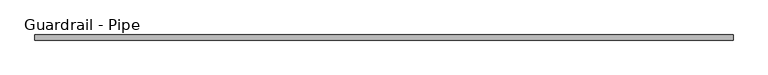
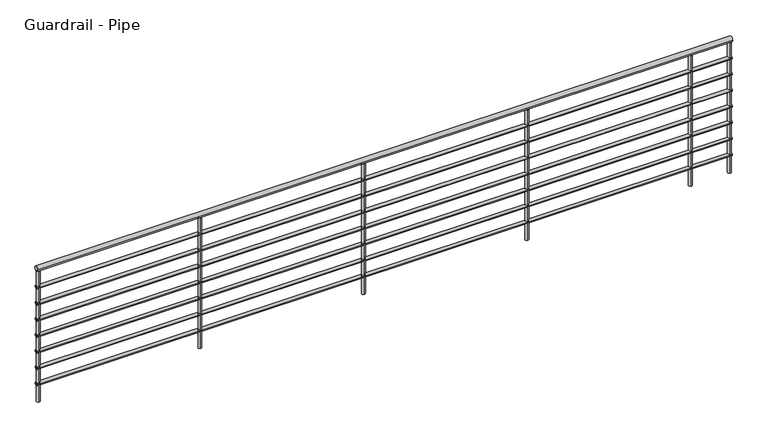
"""IFC4 building model written with IfcOpenShell, lengths in millimetres: railing geometry, Guardrail - Pipe."""

import ifcopenshell
import ifcopenshell.guid

model = None  # the IFC model being written
_history = None  # IfcOwnerHistory: only IFC2X3 demands one
_inside = {}  # id of a spatial element -> (the spatial element, [elements in it])
_under = {}  # id of a project, library or spatial element -> (it, [spatial elements below it])
_declared = {}  # id of a project -> (the project, [libraries it declares])
_typed = {}  # id of a type object -> (the type object, [elements of that type])
_made_of = {}  # id of a material, layer set ... -> (it, [elements and type objects made of it])


def new_model(schema):
    """Start an empty IFC model of exactly this schema.

    Asked for "IFC4X3", IfcOpenShell would pick the latest addendum, in which some entities
    have other attributes; the version numbers below select the first issue.
    IFC2X3 requires an IfcOwnerHistory on every rooted entity: one is made here for all.
    """
    global model, _history
    if schema == "IFC4X3":
        model = ifcopenshell.file(schema_version=(4, 3, 0, 0))
    else:
        model = ifcopenshell.file(schema=schema)
    _inside.clear()
    _under.clear()
    _declared.clear()
    _typed.clear()
    _made_of.clear()
    _history = None
    if model.schema == "IFC2X3":
        org = make("IfcOrganization", Name="unknown")
        user = make(
            "IfcPersonAndOrganization",
            ThePerson=make("IfcPerson", FamilyName="unknown"),
            TheOrganization=org,
        )
        app = make(
            "IfcApplication",
            ApplicationDeveloper=org,
            Version="unknown",
            ApplicationFullName="unknown",
            ApplicationIdentifier="unknown",
        )
        _history = make(
            "IfcOwnerHistory",
            OwningUser=user,
            OwningApplication=app,
            ChangeAction="ADDED",
            CreationDate=0,
        )
    return model


def make(cls, **values):
    """One entity of the class cls with the attributes given. An attribute that is None is left unset."""
    return model.create_entity(
        cls, **{name: value for name, value in values.items() if value is not None}
    )


def rooted(cls, **values):
    """An entity with a GlobalId (a new one), such as an element, a storey or a relation."""
    return make(cls, GlobalId=ifcopenshell.guid.new(), OwnerHistory=_history, **values)


def si_unit(unit_type, name, prefix=None):
    """IfcSIUnit, for example si_unit("LENGTHUNIT", "METRE", prefix="MILLI")."""
    return make("IfcSIUnit", UnitType=unit_type, Prefix=prefix, Name=name)


def assignment(units):
    """IfcUnitAssignment: the units of a project."""
    return None if units is None else make("IfcUnitAssignment", Units=units)


def point(xyz):
    """IfcCartesianPoint."""
    return None if xyz is None else make("IfcCartesianPoint", Coordinates=xyz)


def direction(xyz):
    """IfcDirection."""
    return None if xyz is None else make("IfcDirection", DirectionRatios=xyz)


def frame(location, z_axis=None, x_axis=None):
    """IfcAxis2Placement3D, a coordinate frame: its origin and axes. An axis left out is left unset."""
    return make(
        "IfcAxis2Placement3D",
        Location=point(location),
        Axis=direction(z_axis),
        RefDirection=direction(x_axis),
    )


def frame_2d(location, x_axis=None):
    """IfcAxis2Placement2D, a coordinate frame in the plane: its origin and x axis."""
    return make(
        "IfcAxis2Placement2D", Location=point(location), RefDirection=direction(x_axis)
    )


def origin():
    """The frame at (0, 0, 0) with its axes left unset."""
    return frame((0.0, 0.0, 0.0))


def origin_with_axes():
    """The frame at (0, 0, 0) with the z axis (0, 0, 1) and the x axis (1, 0, 0) written out."""
    return frame((0.0, 0.0, 0.0), z_axis=(0.0, 0.0, 1.0), x_axis=(1.0, 0.0, 0.0))


def place(relative_to, where):
    """IfcLocalPlacement: puts the frame where relative to a parent placement (None: the world)."""
    return make(
        "IfcLocalPlacement", PlacementRelTo=relative_to, RelativePlacement=where
    )


def context(
    kind, dimensions, precision=None, world=None, true_north=None, identifier=None
):
    """IfcGeometricRepresentationContext, for example the 3D "Model" context."""
    return make(
        "IfcGeometricRepresentationContext",
        ContextIdentifier=identifier,
        ContextType=kind,
        CoordinateSpaceDimension=dimensions,
        Precision=precision,
        WorldCoordinateSystem=world,
        TrueNorth=true_north,
    )


def project(units=None, contexts=None):
    """IfcProject with its units and contexts."""
    return rooted(
        "IfcProject",
        Name="project",
        RepresentationContexts=contexts,
        UnitsInContext=assignment(units),
    )


def spatial(cls, under=None, at=None, **own):
    """A site, building, storey or space (cls), placed at a placement, below another one or the project."""
    s = rooted(cls, ObjectPlacement=at, **own)
    if under is not None:
        _under.setdefault(under.id(), (under, []))[1].append(s)
    return s


def circle_curve(where, radius):
    """IfcCircle in the frame where."""
    return make("IfcCircle", Position=where, Radius=radius)


def trimmed(basis, trim1, trim2, sense, master):
    """IfcTrimmedCurve: the piece of a basis curve between two trims."""
    return make(
        "IfcTrimmedCurve",
        BasisCurve=basis,
        Trim1=trim1,
        Trim2=trim2,
        SenseAgreement=sense,
        MasterRepresentation=master,
    )


def segment(curve, same_sense, transition):
    """IfcCompositeCurveSegment."""
    return make(
        "IfcCompositeCurveSegment",
        Transition=transition,
        SameSense=same_sense,
        ParentCurve=curve,
    )


def composite_curve(segments, self_intersect=None):
    """IfcCompositeCurve: segments joined end to end."""
    return make("IfcCompositeCurve", Segments=segments, SelfIntersect=self_intersect)


def outline(outer, holes=None, kind="AREA"):
    """IfcArbitraryClosedProfileDef: a profile drawn as a closed curve; with holes, ...WithVoids."""
    if holes is None:
        return make("IfcArbitraryClosedProfileDef", ProfileType=kind, OuterCurve=outer)
    return make(
        "IfcArbitraryProfileDefWithVoids",
        ProfileType=kind,
        OuterCurve=outer,
        InnerCurves=holes,
    )


def extrude(swept, where, along, depth):
    """IfcExtrudedAreaSolid: the profile swept, set in the frame where, extruded along a direction by depth."""
    return make(
        "IfcExtrudedAreaSolid",
        SweptArea=swept,
        Position=where,
        ExtrudedDirection=direction(along),
        Depth=depth,
    )


def shape(context_of_items, identifier, shape_type, items):
    """IfcShapeRepresentation: the items that make up one representation, for example the "Body"."""
    return make(
        "IfcShapeRepresentation",
        ContextOfItems=context_of_items,
        RepresentationIdentifier=identifier,
        RepresentationType=shape_type,
        Items=items,
    )


def source(mapping_origin, context_of_items, identifier, shape_type, items):
    """IfcRepresentationMap: a shape defined once, which mapped items show again and again."""
    return make(
        "IfcRepresentationMap",
        MappingOrigin=mapping_origin,
        MappedRepresentation=shape(context_of_items, identifier, shape_type, items),
    )


def transform(
    local_origin,
    x_axis=None,
    y_axis=None,
    z_axis=None,
    scale=None,
    scale2=None,
    scale3=None,
    uniform=True,
):
    """IfcCartesianTransformationOperator3D, or its non-uniform kind. x_axis, y_axis, z_axis: its Axis1, 2, 3."""
    if uniform:
        return make(
            "IfcCartesianTransformationOperator3D",
            Axis1=direction(x_axis),
            Axis2=direction(y_axis),
            LocalOrigin=point(local_origin),
            Scale=scale,
            Axis3=direction(z_axis),
        )
    return make(
        "IfcCartesianTransformationOperator3DnonUniform",
        Axis1=direction(x_axis),
        Axis2=direction(y_axis),
        LocalOrigin=point(local_origin),
        Scale=scale,
        Axis3=direction(z_axis),
        Scale2=scale2,
        Scale3=scale3,
    )


def mapped(mapping_source, mapping_target):
    """IfcMappedItem: shows the shape of a source again, moved by a transform."""
    return make(
        "IfcMappedItem", MappingSource=mapping_source, MappingTarget=mapping_target
    )


def made_of(thing, what):
    """Note that an element or type object is made of a material, layer set ...; save() writes the relation."""
    if what is not None:
        _made_of.setdefault(what.id(), (what, []))[1].append(thing)
    return thing


def element(
    cls,
    number,
    at=None,
    inside=None,
    cuts=None,
    type_object=None,
    material=None,
    context=None,
    identifier="Body",
    shape_type=None,
    held_by="IfcProductDefinitionShape",
    body=None,
    shapes=None,
    **own,
):
    """One element of the class cls, such as IfcWall. Its Tag is "e" and its number.

    at: its placement. inside: the storey or other place that contains it. cuts: it is an
    opening in that element (IfcRelVoidsElement). A single representation is given by context,
    identifier, shape_type and body (its items); several are given by shapes. held_by: the class
    of the entity that holds the representations. save() writes the other relations.
    """
    e = rooted(cls, Tag="e%d" % number, ObjectPlacement=at, **own)
    if body is not None:
        shapes = [shape(context, identifier, shape_type, body)]
    if shapes is not None:
        e.Representation = make(held_by, Representations=shapes)
    if inside is not None:
        _inside.setdefault(inside.id(), (inside, []))[1].append(e)
    if cuts is not None:
        rooted(
            "IfcRelVoidsElement", RelatingBuildingElement=cuts, RelatedOpeningElement=e
        )
    if type_object is not None:
        _typed.setdefault(type_object.id(), (type_object, []))[1].append(e)
    return made_of(e, material)


def aggregate(whole, parts):
    """IfcRelAggregates: a whole, such as a stair, and the parts it consists of."""
    return rooted("IfcRelAggregates", RelatingObject=whole, RelatedObjects=parts)


def save(model, path):
    """Write the relations noted so far, then the file.

    IfcRelAggregates (storeys below a building ...), IfcRelContainedInSpatialStructure (elements
    in a storey), IfcRelDefinesByType, IfcRelAssociatesMaterial and IfcRelDeclares: one each for
    every whole, place, type object, material and project.
    """
    for whole, parts in _under.values():
        aggregate(whole, parts)
    for where, things in _inside.values():
        rooted(
            "IfcRelContainedInSpatialStructure",
            RelatedElements=things,
            RelatingStructure=where,
        )
    for kind, things in _typed.values():
        rooted("IfcRelDefinesByType", RelatedObjects=things, RelatingType=kind)
    for what, things in _made_of.values():
        rooted("IfcRelAssociatesMaterial", RelatedObjects=things, RelatingMaterial=what)
    for by, libraries in _declared.values():
        rooted("IfcRelDeclares", RelatingContext=by, RelatedDefinitions=libraries)
    model.write(path)


def guardrail_pipe_db341599(model_context):
    return source(origin(), model_context, "Body", "SweptSolid", [
        extrude(outline(composite_curve([segment(trimmed(circle_curve(frame_2d((26251.7919962, 1047.75)), 19.05), [point((26270.8419962, 1047.75))], [point((26232.7419962, 1047.75))], False, "CARTESIAN"), True, "CONTINUOUS"), segment(trimmed(circle_curve(frame_2d((26251.7919962, 1047.75)), 19.05), [point((26232.7419962, 1047.75))], [point((26270.8419962, 1047.75))], False, "CARTESIAN"), True, "CONTINUOUS")], self_intersect=False)), frame((-26378.6798455, 0.0, 0.0), z_axis=(1.0, 0.0, 0.0), x_axis=(0.0, 1.0, 0.0)), (0.0, 0.0, 1.0), 5181.6),
        extrude(outline(composite_curve([segment(trimmed(circle_curve(frame_2d((26251.7919962, 901.7)), 12.7), [point((26264.4919962, 901.7))], [point((26239.0919962, 901.7))], False, "CARTESIAN"), True, "CONTINUOUS"), segment(trimmed(circle_curve(frame_2d((26251.7919962, 901.7)), 12.7), [point((26239.0919962, 901.7))], [point((26264.4919962, 901.7))], False, "CARTESIAN"), True, "CONTINUOUS")], self_intersect=False)), frame((-26378.6798455, 0.0, 0.0), z_axis=(1.0, 0.0, 0.0), x_axis=(0.0, 1.0, 0.0)), (0.0, 0.0, 1.0), 5181.6),
        extrude(outline(composite_curve([segment(trimmed(circle_curve(frame_2d((26251.7919962, 774.7)), 12.7), [point((26264.4919962, 774.7))], [point((26239.0919962, 774.7))], False, "CARTESIAN"), True, "CONTINUOUS"), segment(trimmed(circle_curve(frame_2d((26251.7919962, 774.7)), 12.7), [point((26239.0919962, 774.7))], [point((26264.4919962, 774.7))], False, "CARTESIAN"), True, "CONTINUOUS")], self_intersect=False)), frame((-26378.6798455, 0.0, 0.0), z_axis=(1.0, 0.0, 0.0), x_axis=(0.0, 1.0, 0.0)), (0.0, 0.0, 1.0), 5181.6),
        extrude(outline(composite_curve([segment(trimmed(circle_curve(frame_2d((26251.7919962, 647.7)), 12.7), [point((26264.4919962, 647.7))], [point((26239.0919962, 647.7))], False, "CARTESIAN"), True, "CONTINUOUS"), segment(trimmed(circle_curve(frame_2d((26251.7919962, 647.7)), 12.7), [point((26239.0919962, 647.7))], [point((26264.4919962, 647.7))], False, "CARTESIAN"), True, "CONTINUOUS")], self_intersect=False)), frame((-26378.6798455, 0.0, 0.0), z_axis=(1.0, 0.0, 0.0), x_axis=(0.0, 1.0, 0.0)), (0.0, 0.0, 1.0), 5181.6),
        extrude(outline(composite_curve([segment(trimmed(circle_curve(frame_2d((26251.7919962, 520.7)), 12.7), [point((26264.4919962, 520.7))], [point((26239.0919962, 520.7))], False, "CARTESIAN"), True, "CONTINUOUS"), segment(trimmed(circle_curve(frame_2d((26251.7919962, 520.7)), 12.7), [point((26239.0919962, 520.7))], [point((26264.4919962, 520.7))], False, "CARTESIAN"), True, "CONTINUOUS")], self_intersect=False)), frame((-26378.6798455, 0.0, 0.0), z_axis=(1.0, 0.0, 0.0), x_axis=(0.0, 1.0, 0.0)), (0.0, 0.0, 1.0), 5181.6),
        extrude(outline(composite_curve([segment(trimmed(circle_curve(frame_2d((26251.7919962, 393.7)), 12.7), [point((26264.4919962, 393.7))], [point((26239.0919962, 393.7))], False, "CARTESIAN"), True, "CONTINUOUS"), segment(trimmed(circle_curve(frame_2d((26251.7919962, 393.7)), 12.7), [point((26239.0919962, 393.7))], [point((26264.4919962, 393.7))], False, "CARTESIAN"), True, "CONTINUOUS")], self_intersect=False)), frame((-26378.6798455, 0.0, 0.0), z_axis=(1.0, 0.0, 0.0), x_axis=(0.0, 1.0, 0.0)), (0.0, 0.0, 1.0), 5181.6),
        extrude(outline(composite_curve([segment(trimmed(circle_curve(frame_2d((26251.7919962, 266.7)), 12.7), [point((26264.4919962, 266.7))], [point((26239.0919962, 266.7))], False, "CARTESIAN"), True, "CONTINUOUS"), segment(trimmed(circle_curve(frame_2d((26251.7919962, 266.7)), 12.7), [point((26239.0919962, 266.7))], [point((26264.4919962, 266.7))], False, "CARTESIAN"), True, "CONTINUOUS")], self_intersect=False)), frame((-26378.6798455, 0.0, 0.0), z_axis=(1.0, 0.0, 0.0), x_axis=(0.0, 1.0, 0.0)), (0.0, 0.0, 1.0), 5181.6),
        extrude(outline(composite_curve([segment(trimmed(circle_curve(frame_2d((26251.7919962, 139.7)), 12.7), [point((26264.4919962, 139.7))], [point((26239.0919962, 139.7))], False, "CARTESIAN"), True, "CONTINUOUS"), segment(trimmed(circle_curve(frame_2d((26251.7919962, 139.7)), 12.7), [point((26239.0919962, 139.7))], [point((26264.4919962, 139.7))], False, "CARTESIAN"), True, "CONTINUOUS")], self_intersect=False)), frame((-26378.6798455, 0.0, 0.0), z_axis=(1.0, 0.0, 0.0), x_axis=(0.0, 1.0, 0.0)), (0.0, 0.0, 1.0), 5181.6),
        extrude(outline(composite_curve([segment(trimmed(circle_curve(frame_2d((-21501.8798455, 26251.7919962)), 12.7), [point((-21501.8798455, 26264.4919962))], [point((-21501.8798455, 26239.0919962))], False, "CARTESIAN"), True, "CONTINUOUS"), segment(trimmed(circle_curve(frame_2d((-21501.8798455, 26251.7919962)), 12.7), [point((-21501.8798455, 26239.0919962))], [point((-21501.8798455, 26264.4919962))], False, "CARTESIAN"), True, "CONTINUOUS")], self_intersect=False)), origin_with_axes(), (0.0, 0.0, 1.0), 1028.7),
        extrude(outline(composite_curve([segment(trimmed(circle_curve(frame_2d((-22721.0798455, 26251.7919962)), 12.7), [point((-22721.0798455, 26264.4919962))], [point((-22721.0798455, 26239.0919962))], False, "CARTESIAN"), True, "CONTINUOUS"), segment(trimmed(circle_curve(frame_2d((-22721.0798455, 26251.7919962)), 12.7), [point((-22721.0798455, 26239.0919962))], [point((-22721.0798455, 26264.4919962))], False, "CARTESIAN"), True, "CONTINUOUS")], self_intersect=False)), origin_with_axes(), (0.0, 0.0, 1.0), 1028.7),
        extrude(outline(composite_curve([segment(trimmed(circle_curve(frame_2d((-23940.2798455, 26251.7919962)), 12.7), [point((-23940.2798455, 26264.4919962))], [point((-23940.2798455, 26239.0919962))], False, "CARTESIAN"), True, "CONTINUOUS"), segment(trimmed(circle_curve(frame_2d((-23940.2798455, 26251.7919962)), 12.7), [point((-23940.2798455, 26239.0919962))], [point((-23940.2798455, 26264.4919962))], False, "CARTESIAN"), True, "CONTINUOUS")], self_intersect=False)), origin_with_axes(), (0.0, 0.0, 1.0), 1028.7),
        extrude(outline(composite_curve([segment(trimmed(circle_curve(frame_2d((-25159.4798455, 26251.7919962)), 12.7), [point((-25159.4798455, 26264.4919962))], [point((-25159.4798455, 26239.0919962))], False, "CARTESIAN"), True, "CONTINUOUS"), segment(trimmed(circle_curve(frame_2d((-25159.4798455, 26251.7919962)), 12.7), [point((-25159.4798455, 26239.0919962))], [point((-25159.4798455, 26264.4919962))], False, "CARTESIAN"), True, "CONTINUOUS")], self_intersect=False)), origin_with_axes(), (0.0, 0.0, 1.0), 1028.7),
        extrude(outline(composite_curve([segment(trimmed(circle_curve(frame_2d((-21209.7798455, 26251.7919962)), 12.7), [point((-21209.7798455, 26264.4919962))], [point((-21209.7798455, 26239.0919962))], False, "CARTESIAN"), True, "CONTINUOUS"), segment(trimmed(circle_curve(frame_2d((-21209.7798455, 26251.7919962)), 12.7), [point((-21209.7798455, 26239.0919962))], [point((-21209.7798455, 26264.4919962))], False, "CARTESIAN"), True, "CONTINUOUS")], self_intersect=False)), origin_with_axes(), (0.0, 0.0, 1.0), 1028.7),
        extrude(outline(composite_curve([segment(trimmed(circle_curve(frame_2d((-26365.9798455, 26251.7919962)), 12.7), [point((-26365.9798455, 26264.4919962))], [point((-26365.9798455, 26239.0919962))], False, "CARTESIAN"), True, "CONTINUOUS"), segment(trimmed(circle_curve(frame_2d((-26365.9798455, 26251.7919962)), 12.7), [point((-26365.9798455, 26239.0919962))], [point((-26365.9798455, 26264.4919962))], False, "CARTESIAN"), True, "CONTINUOUS")], self_intersect=False)), origin_with_axes(), (0.0, 0.0, 1.0), 1028.7),
    ])


if __name__ == "__main__":
    model = new_model("IFC4")
    model_context = context("Model", 3, world=origin())
    ifc_project = project(units=[si_unit("LENGTHUNIT", "METRE", prefix="MILLI")], contexts=[model_context])
    site = spatial("IfcSite", under=ifc_project)
    building = spatial("IfcBuilding", under=site)
    placement = place(None, origin())
    guardrail_pipe_shape = guardrail_pipe_db341599(model_context)
    element("IfcRailing", 1, ObjectType="Guardrail - Pipe", at=placement, inside=building, context=model_context, shape_type="MappedRepresentation", body=[
        mapped(guardrail_pipe_shape, transform((0.0, 0.0, 0.0), x_axis=(1.0, 0.0, 0.0), y_axis=(0.0, 1.0, 0.0), z_axis=(0.0, 0.0, 1.0))),
    ])
    save(model, "model.ifc")
